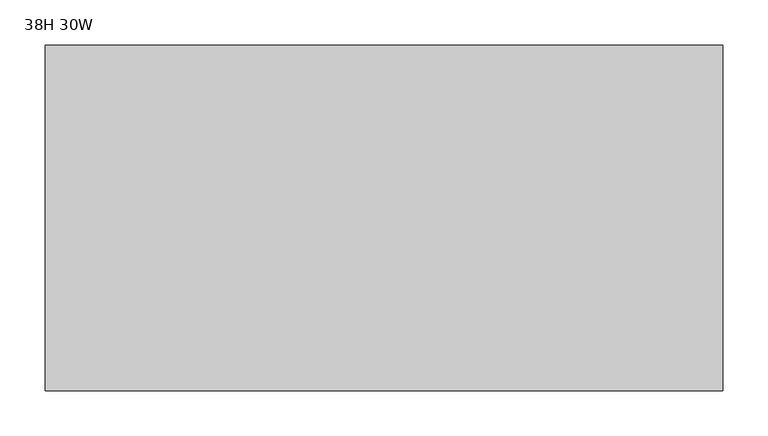
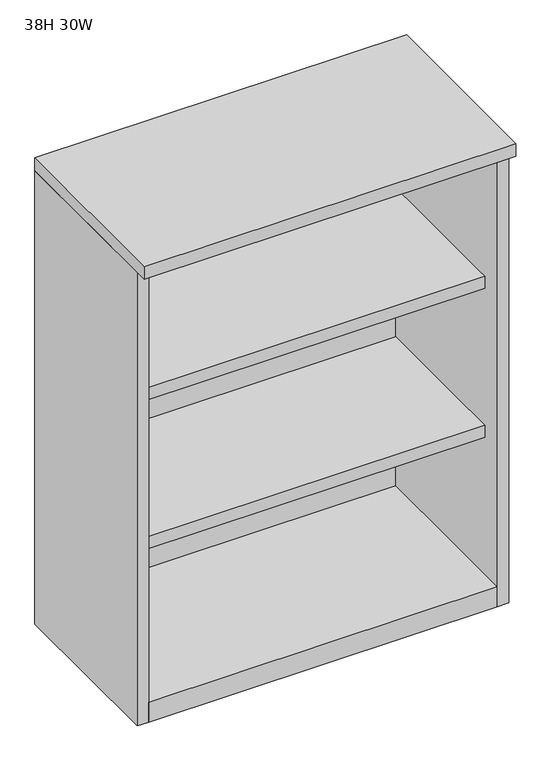
"""IFC4 building model written with IfcOpenShell, lengths in millimetres: furniture geometry, 38H 30W."""

from ifc_helpers import new_model, si_unit, frame, origin, origin_with_axes, place, context, project, spatial, polyline, outline, extrude, source, transform, mapped, element, save


def furniture_38h_30w_bdc81710(model_context):
    return source(origin(), model_context, "Body", "SweptSolid", [
        extrude(outline(polyline([(65.4304, 328.6125), (65.4304, 17.399), (-637.286, 17.399), (-637.286, 328.6125), (65.4304, 328.6125)])), frame((0.0, 0.0, 651.8148), z_axis=(0.0, 0.0, 1.0), x_axis=(1.0, 0.0, 0.0)), (0.0, 0.0, 1.0), 25.4),
        extrude(outline(polyline([(65.4304, 328.6125), (65.4304, -26.543), (-637.286, -26.543), (-637.286, 328.6125), (65.4304, 328.6125)])), frame((0.0, 0.0, 949.579), z_axis=(0.0, 0.0, 1.0), x_axis=(1.0, 0.0, 0.0)), (0.0, 0.0, 1.0), 17.272),
        extrude(outline(polyline([(65.4304, 328.6125), (65.4304, 17.399), (-637.286, 17.399), (-637.286, 328.6125), (65.4304, 328.6125)])), frame((0.0, 0.0, 334.5434), z_axis=(0.0, 0.0, 1.0), x_axis=(1.0, 0.0, 0.0)), (0.0, 0.0, 1.0), 25.4),
        extrude(outline(polyline([(88.5444, 330.2), (88.5444, -51.562), (-660.4, -51.562), (-660.4, 330.2), (88.5444, 330.2)])), frame((0.0, 0.0, 966.851), z_axis=(0.0, 0.0, 1.0), x_axis=(1.0, 0.0, 0.0)), (0.0, 0.0, 1.0), 26.924),
        extrude(outline(polyline([(0.0, -1.5875), (0.0, 0.0), (702.7164, 0.0), (702.7164, -1.5875), (0.0, -1.5875)])), frame((65.4304, 328.6125, 0.0), z_axis=(0.0, -1.620037437530839e-12, 1.0), x_axis=(-1.0, 0.0, 0.0)), (0.0, 0.0, 1.0), 966.851),
        extrude(outline(polyline([(0.0, -23.114), (0.0, 0.0), (356.743, 0.0), (356.743, -23.114), (0.0, -23.114)])), frame((-637.286, 330.2, 0.0), z_axis=(-1.6807068557397578e-12, 0.0, 1.0), x_axis=(0.0, -1.0, 0.0)), (0.0, 0.0, 1.0), 966.851),
        extrude(outline(polyline([(0.0, -23.114), (0.0, 0.0), (356.743, 0.0), (356.743, -23.114), (0.0, -23.114)])), frame((88.5444, 330.2, 0.0), z_axis=(-1.3234834473770912e-12, 0.0, 1.0), x_axis=(0.0, -1.0, 0.0)), (0.0, 0.0, 1.0), 966.851),
        extrude(outline(polyline([(65.4304, 328.6125), (65.4304, -26.543), (-637.286, -26.543), (-637.286, 328.6125), (65.4304, 328.6125)])), origin_with_axes(), (0.0, 0.0, 1.0), 42.672),
    ])


if __name__ == "__main__":
    model = new_model("IFC4")
    model_context = context("Model", 3, world=origin())
    ifc_project = project(units=[si_unit("LENGTHUNIT", "METRE", prefix="MILLI")], contexts=[model_context])
    site = spatial("IfcSite", under=ifc_project)
    building = spatial("IfcBuilding", under=site)
    placement = place(None, origin())
    furniture_38h_30w_shape = furniture_38h_30w_bdc81710(model_context)
    element("IfcFurniture", 1, ObjectType="38H 30W", at=placement, inside=building, context=model_context, shape_type="MappedRepresentation", body=[
        mapped(furniture_38h_30w_shape, transform((0.0, 0.0, 0.0), x_axis=(1.0, 0.0, 0.0), y_axis=(0.0, 1.0, 0.0), z_axis=(0.0, 0.0, 1.0))),
    ])
    save(model, "model.ifc")
